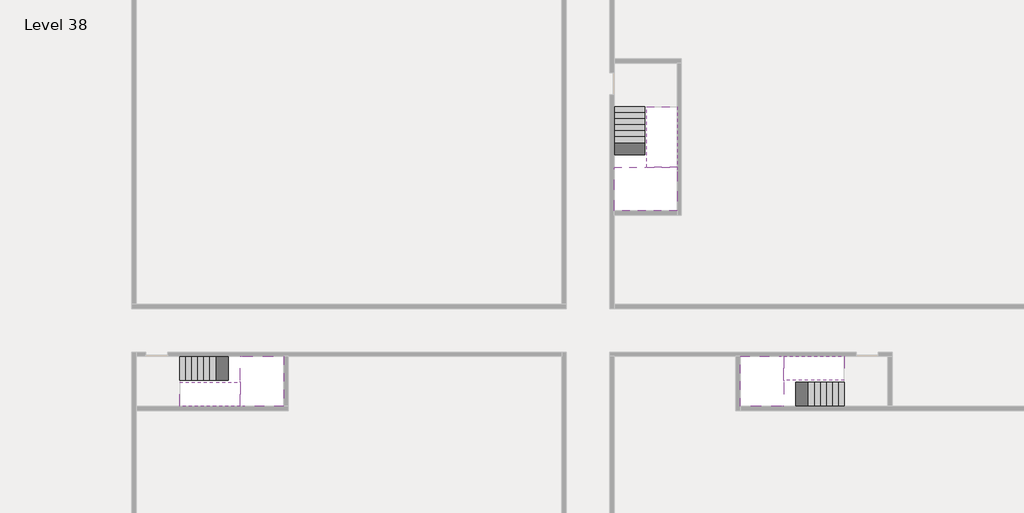
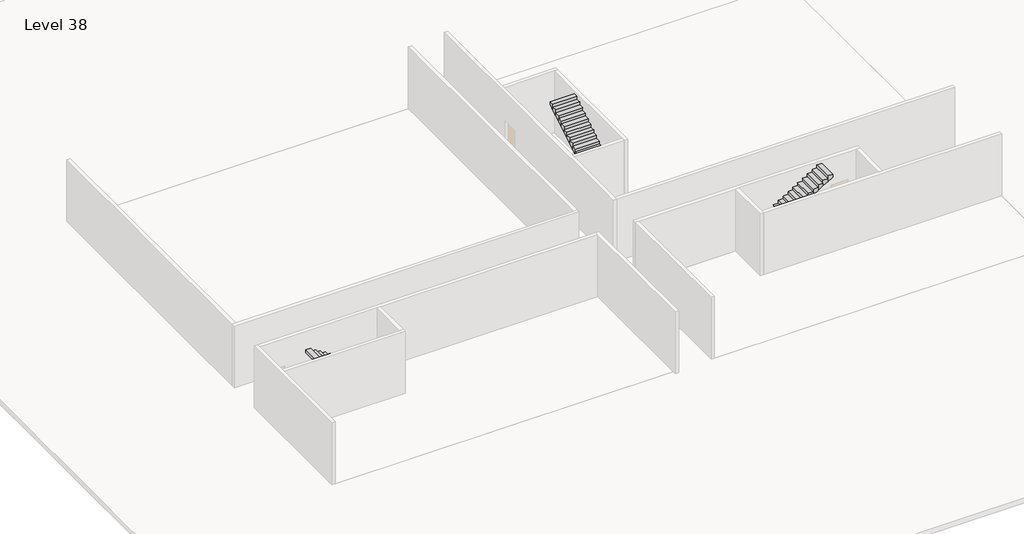
# One storey, part 2 of 2: 6 stair flights, 3 slabs.
"""IFC4 building model written with IfcOpenShell, lengths in millimetres."""

from ifc_helpers import new_model, si_unit, origin, place, context, project, spatial, faceted_brep, element, save

model = new_model("IFC4")

# Units and contexts
model_context = context("Model", 3, world=origin())
ifc_project = project(units=[si_unit("LENGTHUNIT", "METRE", prefix="MILLI")], contexts=[model_context])

# Site, building, storey
site = spatial("IfcSite", under=ifc_project)
building = spatial("IfcBuilding", under=site)
storey = spatial("IfcBuildingStorey", under=building, Name="Level 38", Elevation=140600.0)

# Slabs
placement = place(None, origin())
element("IfcSlab", 1, at=placement, inside=storey, context=model_context, shape_type="Brep", body=[
    faceted_brep([(8190.1058784, -42918.09644, 142500.0), (8190.1058784, -44018.09644, 142500.0), (8190.1058784, -44118.09644, 142500.0), (8190.1058784, -45218.09644, 142500.0), (8390.7194421, -45218.09644, 142500.0), (10190.1058784, -45218.09644, 142500.0), (10190.1058784, -42918.09644, 142500.0), (8269.4923146, -42918.09644, 142500.0), (8190.1058784, -42918.09644, 142327.2727273), (8190.1058784, -42918.09644, 142151.0278478), (8190.1058784, -44018.09644, 142151.0278478), (8190.1058784, -44018.09644, 142200.0), (8190.1058784, -44118.09644, 142200.0), (8190.1058784, -44118.09644, 142323.7551205), (8190.1058784, -45218.09644, 142323.7551205), (8390.7194421, -45218.09644, 142200.0), (10190.1058784, -45218.09644, 142200.0), (10190.1058784, -42918.09644, 142200.0), (8269.4923146, -42918.09644, 142200.0), (8390.7194421, -44118.09644, 142200.0), (8269.4923146, -44018.09644, 142200.0)], [[[0, 1, 2, 3, 4, 5, 6, 7]], [[1, 0, 8, 9, 10, 11]], [[2, 1, 11, 12, 13]], [[3, 2, 13, 14]], [[3, 14, 15, 16, 5, 4]], [[6, 5, 16, 17]], [[9, 8, 0, 7, 6, 17, 18]], [[19, 12, 11, 20, 18, 17, 16, 15]], [[12, 19, 13]], [[18, 20, 10, 9]], [[20, 11, 10]], [[19, 15, 14, 13]]]),
])
element("IfcSlab", 2, at=placement, inside=storey, context=model_context, shape_type="Brep", body=[
    faceted_brep([(33190.1058784, -45218.09644, 142500.0), (33190.1058784, -44118.09644, 142500.0), (33190.1058784, -44018.09644, 142500.0), (33190.1058784, -42918.09644, 142500.0), (32989.4923146, -42918.09644, 142500.0), (31190.1058784, -42918.09644, 142500.0), (31190.1058784, -45218.09644, 142500.0), (33110.7194421, -45218.09644, 142500.0), (33190.1058784, -45218.09644, 142327.2727273), (33190.1058784, -45218.09644, 142151.0278478), (33190.1058784, -44118.09644, 142151.0278478), (33190.1058784, -44118.09644, 142200.0), (33190.1058784, -44018.09644, 142200.0), (33190.1058784, -44018.09644, 142323.7551205), (33190.1058784, -42918.09644, 142323.7551205), (32989.4923146, -42918.09644, 142200.0), (31190.1058784, -42918.09644, 142200.0), (31190.1058784, -45218.09644, 142200.0), (33110.7194421, -45218.09644, 142200.0), (32989.4923146, -44018.09644, 142200.0), (33110.7194421, -44118.09644, 142200.0)], [[[0, 1, 2, 3, 4, 5, 6, 7]], [[1, 0, 8, 9, 10, 11]], [[2, 1, 11, 12, 13]], [[3, 2, 13, 14]], [[3, 14, 15, 16, 5, 4]], [[6, 5, 16, 17]], [[9, 8, 0, 7, 6, 17, 18]], [[19, 12, 11, 20, 18, 17, 16, 15]], [[12, 19, 13]], [[18, 20, 10, 9]], [[20, 11, 10]], [[19, 15, 14, 13]]]),
])
element("IfcSlab", 3, at=placement, inside=storey, context=model_context, shape_type="Brep", body=[
    faceted_brep([(26790.1058784, -34218.09644, 142500.0), (25390.1058784, -34218.09644, 142500.0), (25390.1058784, -34297.4828763, 142500.0), (25390.1058784, -36218.09644, 142500.0), (28290.1058784, -36218.09644, 142500.0), (28290.1058784, -34418.7100038, 142500.0), (28290.1058784, -34218.09644, 142500.0), (26890.1058784, -34218.09644, 142500.0), (26790.1058784, -34218.09644, 142200.0), (26790.1058784, -34218.09644, 142151.0278478), (25390.1058784, -34218.09644, 142151.0278478), (25390.1058784, -34218.09644, 142327.2727273), (25390.1058784, -34297.4828763, 142200.0), (25390.1058784, -36218.09644, 142200.0), (28290.1058784, -36218.09644, 142200.0), (28290.1058784, -34418.7100038, 142200.0), (28290.1058784, -34218.09644, 142323.7551205), (26890.1058784, -34218.09644, 142323.7551205), (26890.1058784, -34218.09644, 142200.0), (26890.1058784, -34418.7100038, 142200.0), (26790.1058784, -34297.4828763, 142200.0)], [[[0, 1, 2, 3, 4, 5, 6, 7]], [[1, 0, 8, 9, 10, 11]], [[1, 11, 10, 12, 13, 3, 2]], [[4, 3, 13, 14]], [[4, 14, 15, 16, 6, 5]], [[7, 6, 16, 17]], [[0, 7, 17, 18, 8]], [[18, 19, 15, 14, 13, 12, 20, 8]], [[19, 18, 17]], [[20, 12, 10, 9]], [[8, 20, 9]], [[15, 19, 17, 16]]]),
])

# Stair flights
element("IfcStairFlight", 4, at=placement, inside=storey, context=model_context, shape_type="Brep", body=[
    faceted_brep([(5670.1058784, -42918.09644, 140772.7272727), (5390.1058784, -42918.09644, 140772.7272727), (5390.1058784, -44018.09644, 140772.7272727), (5670.1058784, -44018.09644, 140772.7272727), (5670.1058784, -42918.09644, 140600.0), (5390.1058784, -42918.09644, 140600.0), (5390.1058784, -44018.09644, 140600.0), (5670.1058784, -44018.09644, 140600.0), (5950.1058784, -42918.09644, 140945.4545455), (5670.1058784, -42918.09644, 140945.4545455), (5670.1058784, -44018.09644, 140945.4545455), (5950.1058784, -44018.09644, 140945.4545455), (5950.1058784, -42918.09644, 140769.209666), (5675.8081041, -42918.09644, 140600.0), (5675.8081041, -44018.09644, 140600.0), (5950.1058784, -44018.09644, 140769.209666), (6230.1058784, -42918.09644, 141118.1818182), (5950.1058784, -42918.09644, 141118.1818182), (5950.1058784, -44018.09644, 141118.1818182), (6230.1058784, -44018.09644, 141118.1818182), (6230.1058784, -42918.09644, 140941.9369387), (6230.1058784, -44018.09644, 140941.9369387), (6510.1058784, -42918.09644, 141290.9090909), (6230.1058784, -42918.09644, 141290.9090909), (6230.1058784, -44018.09644, 141290.9090909), (6510.1058784, -44018.09644, 141290.9090909), (6510.1058784, -42918.09644, 141114.6642114), (6510.1058784, -44018.09644, 141114.6642114), (6790.1058784, -42918.09644, 141463.6363636), (6510.1058784, -42918.09644, 141463.6363636), (6510.1058784, -44018.09644, 141463.6363636), (6790.1058784, -44018.09644, 141463.6363636), (6790.1058784, -42918.09644, 141287.3914841), (6790.1058784, -44018.09644, 141287.3914841), (7070.1058784, -42918.09644, 141636.3636364), (6790.1058784, -42918.09644, 141636.3636364), (6790.1058784, -44018.09644, 141636.3636364), (7070.1058784, -44018.09644, 141636.3636364), (7070.1058784, -42918.09644, 141460.1187569), (7070.1058784, -44018.09644, 141460.1187569), (7350.1058784, -42918.09644, 141809.0909091), (7070.1058784, -42918.09644, 141809.0909091), (7070.1058784, -44018.09644, 141809.0909091), (7350.1058784, -44018.09644, 141809.0909091), (7350.1058784, -42918.09644, 141632.8460296), (7350.1058784, -44018.09644, 141632.8460296), (7630.1058784, -42918.09644, 141981.8181818), (7350.1058784, -42918.09644, 141981.8181818), (7350.1058784, -44018.09644, 141981.8181818), (7630.1058784, -44018.09644, 141981.8181818), (7630.1058784, -42918.09644, 141805.5733023), (7630.1058784, -44018.09644, 141805.5733023), (7910.1058784, -42918.09644, 142154.5454545), (7630.1058784, -42918.09644, 142154.5454545), (7630.1058784, -44018.09644, 142154.5454545), (7910.1058784, -44018.09644, 142154.5454545), (7910.1058784, -42918.09644, 141978.3005751), (7910.1058784, -44018.09644, 141978.3005751), (8190.1058784, -42918.09644, 142327.2727273), (7910.1058784, -42918.09644, 142327.2727273), (7910.1058784, -44018.09644, 142327.2727273), (8190.1058784, -44018.09644, 142327.2727273), (8190.1058784, -42918.09644, 142151.0278478), (8190.1058784, -44018.09644, 142151.0278478), (8190.1058784, -44018.09644, 142200.0)], [[[0, 1, 2, 3]], [[1, 0, 4, 5]], [[2, 1, 5, 6]], [[3, 2, 6, 7]], [[8, 9, 10, 11]], [[4, 0, 9, 8, 12, 13]], [[0, 3, 10, 9]], [[3, 7, 14, 15, 11, 10]], [[16, 17, 18, 19]], [[17, 16, 20, 12, 8]], [[8, 11, 18, 17]], [[19, 18, 11, 15, 21]], [[22, 23, 24, 25]], [[23, 22, 26, 20, 16]], [[16, 19, 24, 23]], [[25, 24, 19, 21, 27]], [[28, 29, 30, 31]], [[29, 28, 32, 26, 22]], [[22, 25, 30, 29]], [[31, 30, 25, 27, 33]], [[34, 35, 36, 37]], [[35, 34, 38, 32, 28]], [[28, 31, 36, 35]], [[37, 36, 31, 33, 39]], [[40, 41, 42, 43]], [[41, 40, 44, 38, 34]], [[34, 37, 42, 41]], [[43, 42, 37, 39, 45]], [[46, 47, 48, 49]], [[47, 46, 50, 44, 40]], [[40, 43, 48, 47]], [[49, 48, 43, 45, 51]], [[52, 53, 54, 55]], [[53, 52, 56, 50, 46]], [[46, 49, 54, 53]], [[55, 54, 49, 51, 57]], [[58, 59, 60, 61]], [[59, 58, 62, 56, 52]], [[52, 55, 60, 59]], [[61, 60, 55, 57, 63, 64]], [[58, 61, 64, 63, 62]], [[5, 4, 13, 14, 7, 6]], [[14, 13, 12, 20, 26, 32, 38, 44, 50, 56, 62, 63, 57, 51, 45, 39, 33, 27, 21, 15]]]),
])
element("IfcStairFlight", 5, at=placement, inside=storey, context=model_context, shape_type="Brep", body=[
    faceted_brep([(7910.1058784, -45218.09644, 142672.7272727), (8190.1058784, -45218.09644, 142672.7272727), (8190.1058784, -44118.09644, 142672.7272727), (7910.1058784, -44118.09644, 142672.7272727), (7910.1058784, -45218.09644, 142496.4823932), (8190.1058784, -45218.09644, 142323.7551205), (8190.1058784, -45218.09644, 142500.0), (8190.1058784, -44118.09644, 142323.7551205), (7910.1058784, -44118.09644, 142496.4823932), (7630.1058784, -45218.09644, 142845.4545455), (7910.1058784, -45218.09644, 142845.4545455), (7910.1058784, -44118.09644, 142845.4545455), (7630.1058784, -44118.09644, 142845.4545455), (7630.1058784, -45218.09644, 142669.209666), (7630.1058784, -44118.09644, 142669.209666), (7350.1058784, -45218.09644, 143018.1818182), (7630.1058784, -45218.09644, 143018.1818182), (7630.1058784, -44118.09644, 143018.1818182), (7350.1058784, -44118.09644, 143018.1818182), (7350.1058784, -45218.09644, 142841.9369387), (7350.1058784, -44118.09644, 142841.9369387), (7070.1058784, -45218.09644, 143190.9090909), (7350.1058784, -45218.09644, 143190.9090909), (7350.1058784, -44118.09644, 143190.9090909), (7070.1058784, -44118.09644, 143190.9090909), (7070.1058784, -45218.09644, 143014.6642114), (7070.1058784, -44118.09644, 143014.6642114), (6790.1058784, -45218.09644, 143363.6363636), (7070.1058784, -45218.09644, 143363.6363636), (7070.1058784, -44118.09644, 143363.6363636), (6790.1058784, -44118.09644, 143363.6363636), (6790.1058784, -45218.09644, 143187.3914841), (6790.1058784, -44118.09644, 143187.3914841), (6510.1058784, -45218.09644, 143536.3636364), (6790.1058784, -45218.09644, 143536.3636364), (6790.1058784, -44118.09644, 143536.3636364), (6510.1058784, -44118.09644, 143536.3636364), (6510.1058784, -45218.09644, 143360.1187569), (6510.1058784, -44118.09644, 143360.1187569), (6230.1058784, -45218.09644, 143709.0909091), (6510.1058784, -45218.09644, 143709.0909091), (6510.1058784, -44118.09644, 143709.0909091), (6230.1058784, -44118.09644, 143709.0909091), (6230.1058784, -45218.09644, 143532.8460296), (6230.1058784, -44118.09644, 143532.8460296), (5950.1058784, -45218.09644, 143881.8181818), (6230.1058784, -45218.09644, 143881.8181818), (6230.1058784, -44118.09644, 143881.8181818), (5950.1058784, -44118.09644, 143881.8181818), (5950.1058784, -45218.09644, 143705.5733023), (5950.1058784, -44118.09644, 143705.5733023), (5670.1058784, -45218.09644, 144054.5454545), (5950.1058784, -45218.09644, 144054.5454545), (5950.1058784, -44118.09644, 144054.5454545), (5670.1058784, -44118.09644, 144054.5454545), (5670.1058784, -45218.09644, 143878.3005751), (5670.1058784, -44118.09644, 143878.3005751), (5390.1058784, -45218.09644, 144227.2727273), (5670.1058784, -45218.09644, 144227.2727273), (5670.1058784, -44118.09644, 144227.2727273), (5390.1058784, -44118.09644, 144227.2727273), (5390.1058784, -45218.09644, 144051.0278478), (5390.1058784, -44118.09644, 144051.0278478)], [[[0, 1, 2, 3]], [[1, 0, 4, 5, 6]], [[2, 1, 6, 5, 7]], [[3, 2, 7, 8]], [[9, 10, 11, 12]], [[10, 9, 13, 4, 0]], [[11, 10, 0, 3]], [[12, 11, 3, 8, 14]], [[15, 16, 17, 18]], [[16, 15, 19, 13, 9]], [[17, 16, 9, 12]], [[18, 17, 12, 14, 20]], [[21, 22, 23, 24]], [[22, 21, 25, 19, 15]], [[23, 22, 15, 18]], [[24, 23, 18, 20, 26]], [[27, 28, 29, 30]], [[28, 27, 31, 25, 21]], [[29, 28, 21, 24]], [[30, 29, 24, 26, 32]], [[33, 34, 35, 36]], [[34, 33, 37, 31, 27]], [[35, 34, 27, 30]], [[36, 35, 30, 32, 38]], [[39, 40, 41, 42]], [[40, 39, 43, 37, 33]], [[41, 40, 33, 36]], [[42, 41, 36, 38, 44]], [[45, 46, 47, 48]], [[46, 45, 49, 43, 39]], [[47, 46, 39, 42]], [[48, 47, 42, 44, 50]], [[51, 52, 53, 54]], [[52, 51, 55, 49, 45]], [[53, 52, 45, 48]], [[54, 53, 48, 50, 56]], [[57, 58, 59, 60]], [[58, 57, 61, 55, 51]], [[59, 58, 51, 54]], [[60, 59, 54, 56, 62]], [[57, 60, 62, 61]], [[5, 4, 13, 19, 25, 31, 37, 43, 49, 55, 61, 62, 56, 50, 44, 38, 32, 26, 20, 14, 8, 7]]]),
])
element("IfcStairFlight", 6, at=placement, inside=storey, context=model_context, shape_type="Brep", body=[
    faceted_brep([(35710.1058784, -45218.09644, 140772.7272727), (35990.1058784, -45218.09644, 140772.7272727), (35990.1058784, -44118.09644, 140772.7272727), (35710.1058784, -44118.09644, 140772.7272727), (35710.1058784, -45218.09644, 140600.0), (35990.1058784, -45218.09644, 140600.0), (35990.1058784, -44118.09644, 140600.0), (35710.1058784, -44118.09644, 140600.0), (35430.1058784, -45218.09644, 140945.4545455), (35710.1058784, -45218.09644, 140945.4545455), (35710.1058784, -44118.09644, 140945.4545455), (35430.1058784, -44118.09644, 140945.4545455), (35430.1058784, -45218.09644, 140769.209666), (35704.4036527, -45218.09644, 140600.0), (35704.4036527, -44118.09644, 140600.0), (35430.1058784, -44118.09644, 140769.209666), (35150.1058784, -45218.09644, 141118.1818182), (35430.1058784, -45218.09644, 141118.1818182), (35430.1058784, -44118.09644, 141118.1818182), (35150.1058784, -44118.09644, 141118.1818182), (35150.1058784, -45218.09644, 140941.9369387), (35150.1058784, -44118.09644, 140941.9369387), (34870.1058784, -45218.09644, 141290.9090909), (35150.1058784, -45218.09644, 141290.9090909), (35150.1058784, -44118.09644, 141290.9090909), (34870.1058784, -44118.09644, 141290.9090909), (34870.1058784, -45218.09644, 141114.6642114), (34870.1058784, -44118.09644, 141114.6642114), (34590.1058784, -45218.09644, 141463.6363636), (34870.1058784, -45218.09644, 141463.6363636), (34870.1058784, -44118.09644, 141463.6363636), (34590.1058784, -44118.09644, 141463.6363636), (34590.1058784, -45218.09644, 141287.3914841), (34590.1058784, -44118.09644, 141287.3914841), (34310.1058784, -45218.09644, 141636.3636364), (34590.1058784, -45218.09644, 141636.3636364), (34590.1058784, -44118.09644, 141636.3636364), (34310.1058784, -44118.09644, 141636.3636364), (34310.1058784, -45218.09644, 141460.1187569), (34310.1058784, -44118.09644, 141460.1187569), (34030.1058784, -45218.09644, 141809.0909091), (34310.1058784, -45218.09644, 141809.0909091), (34310.1058784, -44118.09644, 141809.0909091), (34030.1058784, -44118.09644, 141809.0909091), (34030.1058784, -45218.09644, 141632.8460296), (34030.1058784, -44118.09644, 141632.8460296), (33750.1058784, -45218.09644, 141981.8181818), (34030.1058784, -45218.09644, 141981.8181818), (34030.1058784, -44118.09644, 141981.8181818), (33750.1058784, -44118.09644, 141981.8181818), (33750.1058784, -45218.09644, 141805.5733023), (33750.1058784, -44118.09644, 141805.5733023), (33470.1058784, -45218.09644, 142154.5454545), (33750.1058784, -45218.09644, 142154.5454545), (33750.1058784, -44118.09644, 142154.5454545), (33470.1058784, -44118.09644, 142154.5454545), (33470.1058784, -45218.09644, 141978.3005751), (33470.1058784, -44118.09644, 141978.3005751), (33190.1058784, -45218.09644, 142327.2727273), (33470.1058784, -45218.09644, 142327.2727273), (33470.1058784, -44118.09644, 142327.2727273), (33190.1058784, -44118.09644, 142327.2727273), (33190.1058784, -45218.09644, 142151.0278478), (33190.1058784, -44118.09644, 142151.0278478), (33190.1058784, -44118.09644, 142200.0)], [[[0, 1, 2, 3]], [[1, 0, 4, 5]], [[2, 1, 5, 6]], [[3, 2, 6, 7]], [[8, 9, 10, 11]], [[4, 0, 9, 8, 12, 13]], [[0, 3, 10, 9]], [[3, 7, 14, 15, 11, 10]], [[16, 17, 18, 19]], [[17, 16, 20, 12, 8]], [[8, 11, 18, 17]], [[19, 18, 11, 15, 21]], [[22, 23, 24, 25]], [[23, 22, 26, 20, 16]], [[16, 19, 24, 23]], [[25, 24, 19, 21, 27]], [[28, 29, 30, 31]], [[29, 28, 32, 26, 22]], [[22, 25, 30, 29]], [[31, 30, 25, 27, 33]], [[34, 35, 36, 37]], [[35, 34, 38, 32, 28]], [[28, 31, 36, 35]], [[37, 36, 31, 33, 39]], [[40, 41, 42, 43]], [[41, 40, 44, 38, 34]], [[34, 37, 42, 41]], [[43, 42, 37, 39, 45]], [[46, 47, 48, 49]], [[47, 46, 50, 44, 40]], [[40, 43, 48, 47]], [[49, 48, 43, 45, 51]], [[52, 53, 54, 55]], [[53, 52, 56, 50, 46]], [[46, 49, 54, 53]], [[55, 54, 49, 51, 57]], [[58, 59, 60, 61]], [[59, 58, 62, 56, 52]], [[52, 55, 60, 59]], [[61, 60, 55, 57, 63, 64]], [[58, 61, 64, 63, 62]], [[5, 4, 13, 14, 7, 6]], [[14, 13, 12, 20, 26, 32, 38, 44, 50, 56, 62, 63, 57, 51, 45, 39, 33, 27, 21, 15]]]),
])
element("IfcStairFlight", 7, at=placement, inside=storey, context=model_context, shape_type="Brep", body=[
    faceted_brep([(33470.1058784, -42918.09644, 142672.7272727), (33190.1058784, -42918.09644, 142672.7272727), (33190.1058784, -44018.09644, 142672.7272727), (33470.1058784, -44018.09644, 142672.7272727), (33470.1058784, -42918.09644, 142496.4823932), (33190.1058784, -42918.09644, 142323.7551205), (33190.1058784, -42918.09644, 142500.0), (33190.1058784, -44018.09644, 142323.7551205), (33470.1058784, -44018.09644, 142496.4823932), (33750.1058784, -42918.09644, 142845.4545455), (33470.1058784, -42918.09644, 142845.4545455), (33470.1058784, -44018.09644, 142845.4545455), (33750.1058784, -44018.09644, 142845.4545455), (33750.1058784, -42918.09644, 142669.209666), (33750.1058784, -44018.09644, 142669.209666), (34030.1058784, -42918.09644, 143018.1818182), (33750.1058784, -42918.09644, 143018.1818182), (33750.1058784, -44018.09644, 143018.1818182), (34030.1058784, -44018.09644, 143018.1818182), (34030.1058784, -42918.09644, 142841.9369387), (34030.1058784, -44018.09644, 142841.9369387), (34310.1058784, -42918.09644, 143190.9090909), (34030.1058784, -42918.09644, 143190.9090909), (34030.1058784, -44018.09644, 143190.9090909), (34310.1058784, -44018.09644, 143190.9090909), (34310.1058784, -42918.09644, 143014.6642114), (34310.1058784, -44018.09644, 143014.6642114), (34590.1058784, -42918.09644, 143363.6363636), (34310.1058784, -42918.09644, 143363.6363636), (34310.1058784, -44018.09644, 143363.6363636), (34590.1058784, -44018.09644, 143363.6363636), (34590.1058784, -42918.09644, 143187.3914841), (34590.1058784, -44018.09644, 143187.3914841), (34870.1058784, -42918.09644, 143536.3636364), (34590.1058784, -42918.09644, 143536.3636364), (34590.1058784, -44018.09644, 143536.3636364), (34870.1058784, -44018.09644, 143536.3636364), (34870.1058784, -42918.09644, 143360.1187569), (34870.1058784, -44018.09644, 143360.1187569), (35150.1058784, -42918.09644, 143709.0909091), (34870.1058784, -42918.09644, 143709.0909091), (34870.1058784, -44018.09644, 143709.0909091), (35150.1058784, -44018.09644, 143709.0909091), (35150.1058784, -42918.09644, 143532.8460296), (35150.1058784, -44018.09644, 143532.8460296), (35430.1058784, -42918.09644, 143881.8181818), (35150.1058784, -42918.09644, 143881.8181818), (35150.1058784, -44018.09644, 143881.8181818), (35430.1058784, -44018.09644, 143881.8181818), (35430.1058784, -42918.09644, 143705.5733023), (35430.1058784, -44018.09644, 143705.5733023), (35710.1058784, -42918.09644, 144054.5454545), (35430.1058784, -42918.09644, 144054.5454545), (35430.1058784, -44018.09644, 144054.5454545), (35710.1058784, -44018.09644, 144054.5454545), (35710.1058784, -42918.09644, 143878.3005751), (35710.1058784, -44018.09644, 143878.3005751), (35990.1058784, -42918.09644, 144227.2727273), (35710.1058784, -42918.09644, 144227.2727273), (35710.1058784, -44018.09644, 144227.2727273), (35990.1058784, -44018.09644, 144227.2727273), (35990.1058784, -42918.09644, 144051.0278478), (35990.1058784, -44018.09644, 144051.0278478)], [[[0, 1, 2, 3]], [[1, 0, 4, 5, 6]], [[2, 1, 6, 5, 7]], [[3, 2, 7, 8]], [[9, 10, 11, 12]], [[10, 9, 13, 4, 0]], [[11, 10, 0, 3]], [[12, 11, 3, 8, 14]], [[15, 16, 17, 18]], [[16, 15, 19, 13, 9]], [[17, 16, 9, 12]], [[18, 17, 12, 14, 20]], [[21, 22, 23, 24]], [[22, 21, 25, 19, 15]], [[23, 22, 15, 18]], [[24, 23, 18, 20, 26]], [[27, 28, 29, 30]], [[28, 27, 31, 25, 21]], [[29, 28, 21, 24]], [[30, 29, 24, 26, 32]], [[33, 34, 35, 36]], [[34, 33, 37, 31, 27]], [[35, 34, 27, 30]], [[36, 35, 30, 32, 38]], [[39, 40, 41, 42]], [[40, 39, 43, 37, 33]], [[41, 40, 33, 36]], [[42, 41, 36, 38, 44]], [[45, 46, 47, 48]], [[46, 45, 49, 43, 39]], [[47, 46, 39, 42]], [[48, 47, 42, 44, 50]], [[51, 52, 53, 54]], [[52, 51, 55, 49, 45]], [[53, 52, 45, 48]], [[54, 53, 48, 50, 56]], [[57, 58, 59, 60]], [[58, 57, 61, 55, 51]], [[59, 58, 51, 54]], [[60, 59, 54, 56, 62]], [[57, 60, 62, 61]], [[5, 4, 13, 19, 25, 31, 37, 43, 49, 55, 61, 62, 56, 50, 44, 38, 32, 26, 20, 14, 8, 7]]]),
])
element("IfcStairFlight", 8, at=placement, inside=storey, context=model_context, shape_type="Brep", body=[
    faceted_brep([(26790.1058784, -31698.09644, 140772.7272727), (26790.1058784, -31418.09644, 140772.7272727), (25390.1058784, -31418.09644, 140772.7272727), (25390.1058784, -31698.09644, 140772.7272727), (26790.1058784, -31698.09644, 140600.0), (26790.1058784, -31418.09644, 140600.0), (25390.1058784, -31418.09644, 140600.0), (25390.1058784, -31698.09644, 140600.0), (26790.1058784, -31978.09644, 140945.4545455), (26790.1058784, -31698.09644, 140945.4545455), (25390.1058784, -31698.09644, 140945.4545455), (25390.1058784, -31978.09644, 140945.4545455), (26790.1058784, -31978.09644, 140769.209666), (26790.1058784, -31703.7986657, 140600.0), (25390.1058784, -31703.7986657, 140600.0), (25390.1058784, -31978.09644, 140769.209666), (26790.1058784, -32258.09644, 141118.1818182), (26790.1058784, -31978.09644, 141118.1818182), (25390.1058784, -31978.09644, 141118.1818182), (25390.1058784, -32258.09644, 141118.1818182), (26790.1058784, -32258.09644, 140941.9369387), (25390.1058784, -32258.09644, 140941.9369387), (26790.1058784, -32538.09644, 141290.9090909), (26790.1058784, -32258.09644, 141290.9090909), (25390.1058784, -32258.09644, 141290.9090909), (25390.1058784, -32538.09644, 141290.9090909), (26790.1058784, -32538.09644, 141114.6642114), (25390.1058784, -32538.09644, 141114.6642114), (26790.1058784, -32818.09644, 141463.6363636), (26790.1058784, -32538.09644, 141463.6363636), (25390.1058784, -32538.09644, 141463.6363636), (25390.1058784, -32818.09644, 141463.6363636), (26790.1058784, -32818.09644, 141287.3914841), (25390.1058784, -32818.09644, 141287.3914841), (26790.1058784, -33098.09644, 141636.3636364), (26790.1058784, -32818.09644, 141636.3636364), (25390.1058784, -32818.09644, 141636.3636364), (25390.1058784, -33098.09644, 141636.3636364), (26790.1058784, -33098.09644, 141460.1187569), (25390.1058784, -33098.09644, 141460.1187569), (26790.1058784, -33378.09644, 141809.0909091), (26790.1058784, -33098.09644, 141809.0909091), (25390.1058784, -33098.09644, 141809.0909091), (25390.1058784, -33378.09644, 141809.0909091), (26790.1058784, -33378.09644, 141632.8460296), (25390.1058784, -33378.09644, 141632.8460296), (26790.1058784, -33658.09644, 141981.8181818), (26790.1058784, -33378.09644, 141981.8181818), (25390.1058784, -33378.09644, 141981.8181818), (25390.1058784, -33658.09644, 141981.8181818), (26790.1058784, -33658.09644, 141805.5733023), (25390.1058784, -33658.09644, 141805.5733023), (26790.1058784, -33938.09644, 142154.5454545), (26790.1058784, -33658.09644, 142154.5454545), (25390.1058784, -33658.09644, 142154.5454545), (25390.1058784, -33938.09644, 142154.5454545), (26790.1058784, -33938.09644, 141978.3005751), (25390.1058784, -33938.09644, 141978.3005751), (26790.1058784, -34218.09644, 142327.2727273), (26790.1058784, -33938.09644, 142327.2727273), (25390.1058784, -33938.09644, 142327.2727273), (25390.1058784, -34218.09644, 142327.2727273), (26790.1058784, -34218.09644, 142200.0), (26790.1058784, -34218.09644, 142151.0278478), (25390.1058784, -34218.09644, 142151.0278478)], [[[0, 1, 2, 3]], [[1, 0, 4, 5]], [[2, 1, 5, 6]], [[3, 2, 6, 7]], [[8, 9, 10, 11]], [[4, 0, 9, 8, 12, 13]], [[0, 3, 10, 9]], [[3, 7, 14, 15, 11, 10]], [[16, 17, 18, 19]], [[17, 16, 20, 12, 8]], [[8, 11, 18, 17]], [[19, 18, 11, 15, 21]], [[22, 23, 24, 25]], [[23, 22, 26, 20, 16]], [[16, 19, 24, 23]], [[25, 24, 19, 21, 27]], [[28, 29, 30, 31]], [[29, 28, 32, 26, 22]], [[22, 25, 30, 29]], [[31, 30, 25, 27, 33]], [[34, 35, 36, 37]], [[35, 34, 38, 32, 28]], [[28, 31, 36, 35]], [[37, 36, 31, 33, 39]], [[40, 41, 42, 43]], [[41, 40, 44, 38, 34]], [[34, 37, 42, 41]], [[43, 42, 37, 39, 45]], [[46, 47, 48, 49]], [[47, 46, 50, 44, 40]], [[40, 43, 48, 47]], [[49, 48, 43, 45, 51]], [[52, 53, 54, 55]], [[53, 52, 56, 50, 46]], [[46, 49, 54, 53]], [[55, 54, 49, 51, 57]], [[58, 59, 60, 61]], [[59, 58, 62, 63, 56, 52]], [[52, 55, 60, 59]], [[61, 60, 55, 57, 64]], [[58, 61, 64, 63, 62]], [[5, 4, 13, 14, 7, 6]], [[14, 13, 12, 20, 26, 32, 38, 44, 50, 56, 63, 64, 57, 51, 45, 39, 33, 27, 21, 15]]]),
])
element("IfcStairFlight", 9, at=placement, inside=storey, context=model_context, shape_type="Brep", body=[
    faceted_brep([(26890.1058784, -33938.09644, 142672.7272727), (26890.1058784, -34218.09644, 142672.7272727), (28290.1058784, -34218.09644, 142672.7272727), (28290.1058784, -33938.09644, 142672.7272727), (26890.1058784, -33938.09644, 142496.4823932), (26890.1058784, -34218.09644, 142323.7551205), (28290.1058784, -34218.09644, 142323.7551205), (28290.1058784, -34218.09644, 142500.0), (28290.1058784, -33938.09644, 142496.4823932), (26890.1058784, -33658.09644, 142845.4545455), (26890.1058784, -33938.09644, 142845.4545455), (28290.1058784, -33938.09644, 142845.4545455), (28290.1058784, -33658.09644, 142845.4545455), (26890.1058784, -33658.09644, 142669.209666), (28290.1058784, -33658.09644, 142669.209666), (26890.1058784, -33378.09644, 143018.1818182), (26890.1058784, -33658.09644, 143018.1818182), (28290.1058784, -33658.09644, 143018.1818182), (28290.1058784, -33378.09644, 143018.1818182), (26890.1058784, -33378.09644, 142841.9369387), (28290.1058784, -33378.09644, 142841.9369387), (26890.1058784, -33098.09644, 143190.9090909), (26890.1058784, -33378.09644, 143190.9090909), (28290.1058784, -33378.09644, 143190.9090909), (28290.1058784, -33098.09644, 143190.9090909), (26890.1058784, -33098.09644, 143014.6642114), (28290.1058784, -33098.09644, 143014.6642114), (26890.1058784, -32818.09644, 143363.6363636), (26890.1058784, -33098.09644, 143363.6363636), (28290.1058784, -33098.09644, 143363.6363636), (28290.1058784, -32818.09644, 143363.6363636), (26890.1058784, -32818.09644, 143187.3914841), (28290.1058784, -32818.09644, 143187.3914841), (26890.1058784, -32538.09644, 143536.3636364), (26890.1058784, -32818.09644, 143536.3636364), (28290.1058784, -32818.09644, 143536.3636364), (28290.1058784, -32538.09644, 143536.3636364), (26890.1058784, -32538.09644, 143360.1187569), (28290.1058784, -32538.09644, 143360.1187569), (26890.1058784, -32258.09644, 143709.0909091), (26890.1058784, -32538.09644, 143709.0909091), (28290.1058784, -32538.09644, 143709.0909091), (28290.1058784, -32258.09644, 143709.0909091), (26890.1058784, -32258.09644, 143532.8460296), (28290.1058784, -32258.09644, 143532.8460296), (26890.1058784, -31978.09644, 143881.8181818), (26890.1058784, -32258.09644, 143881.8181818), (28290.1058784, -32258.09644, 143881.8181818), (28290.1058784, -31978.09644, 143881.8181818), (26890.1058784, -31978.09644, 143705.5733023), (28290.1058784, -31978.09644, 143705.5733023), (26890.1058784, -31698.09644, 144054.5454545), (26890.1058784, -31978.09644, 144054.5454545), (28290.1058784, -31978.09644, 144054.5454545), (28290.1058784, -31698.09644, 144054.5454545), (26890.1058784, -31698.09644, 143878.3005751), (28290.1058784, -31698.09644, 143878.3005751), (26890.1058784, -31418.09644, 144227.2727273), (26890.1058784, -31698.09644, 144227.2727273), (28290.1058784, -31698.09644, 144227.2727273), (28290.1058784, -31418.09644, 144227.2727273), (26890.1058784, -31418.09644, 144051.0278478), (28290.1058784, -31418.09644, 144051.0278478)], [[[0, 1, 2, 3]], [[1, 0, 4, 5]], [[2, 1, 5, 6, 7]], [[3, 2, 7, 6, 8]], [[9, 10, 11, 12]], [[10, 9, 13, 4, 0]], [[11, 10, 0, 3]], [[12, 11, 3, 8, 14]], [[15, 16, 17, 18]], [[16, 15, 19, 13, 9]], [[17, 16, 9, 12]], [[18, 17, 12, 14, 20]], [[21, 22, 23, 24]], [[22, 21, 25, 19, 15]], [[23, 22, 15, 18]], [[24, 23, 18, 20, 26]], [[27, 28, 29, 30]], [[28, 27, 31, 25, 21]], [[29, 28, 21, 24]], [[30, 29, 24, 26, 32]], [[33, 34, 35, 36]], [[34, 33, 37, 31, 27]], [[35, 34, 27, 30]], [[36, 35, 30, 32, 38]], [[39, 40, 41, 42]], [[40, 39, 43, 37, 33]], [[41, 40, 33, 36]], [[42, 41, 36, 38, 44]], [[45, 46, 47, 48]], [[46, 45, 49, 43, 39]], [[47, 46, 39, 42]], [[48, 47, 42, 44, 50]], [[51, 52, 53, 54]], [[52, 51, 55, 49, 45]], [[53, 52, 45, 48]], [[54, 53, 48, 50, 56]], [[57, 58, 59, 60]], [[58, 57, 61, 55, 51]], [[59, 58, 51, 54]], [[60, 59, 54, 56, 62]], [[57, 60, 62, 61]], [[5, 4, 13, 19, 25, 31, 37, 43, 49, 55, 61, 62, 56, 50, 44, 38, 32, 26, 20, 14, 8, 6]]]),
])

save(model, "model.ifc")
